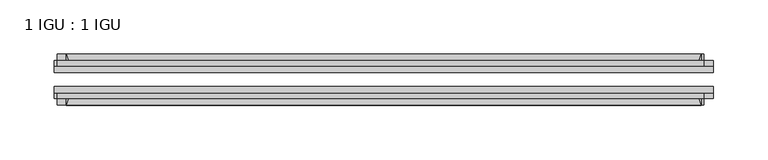
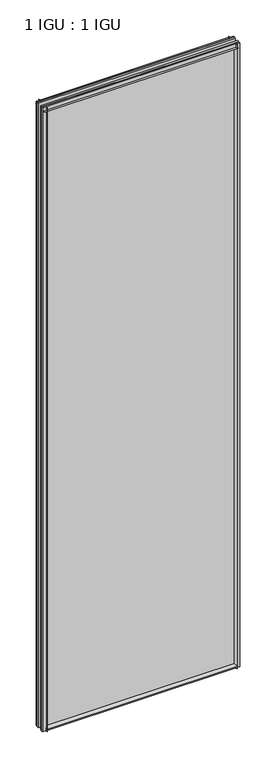
"""IFC4 building model written with IfcOpenShell, lengths in millimetres: plate geometry, 1 IGU : 1 IGU."""

from ifc_helpers import new_model, si_unit, point, frame, frame_2d, origin, place, context, project, spatial, polyline, circle_curve, trimmed, segment, composite_curve, outline, extrude, source, transform, mapped, element, save


def plate_1_igu_1_igu_2b1aa5f3(model_context):
    return source(origin(), model_context, "Body", "SweptSolid", [
        extrude(outline(composite_curve([segment(polyline([(-74.6252, -8.73125), (-74.6252, -0.0097454), (-80.6504332, -0.0097454)]), True, "CONTINUOUS"), segment(trimmed(circle_curve(frame_2d((-86.2258203, 32.2797688)), 32.7673262), [point((-80.6504332, -0.0097454))], [point((-69.85, 3.8979053))], True, "CARTESIAN"), True, "CONTINUOUS"), segment(polyline([(-69.85, 3.8979053), (-69.85, -8.73125), (-74.6252, -8.73125)]), True, "CONTINUOUS")], self_intersect=False)), frame((-292.0920252, 0.0, 0.0), z_axis=(1.0, 0.0, 0.0), x_axis=(0.0, 1.0, 0.0)), (0.0, 0.0, 1.0), 584.1840504),
        extrude(outline(composite_curve([segment(polyline([(-39.6748, -8.73125), (-44.45, -8.73125), (-44.45, 3.8979053)]), True, "CONTINUOUS"), segment(trimmed(circle_curve(frame_2d((-28.0741797, 32.2797688)), 32.7673262), [point((-44.45, 3.8979053))], [point((-33.6495668, -0.0097454))], True, "CARTESIAN"), True, "CONTINUOUS"), segment(polyline([(-33.6495668, -0.0097454), (-39.6748, -0.0097454), (-39.6748, -8.73125)]), True, "CONTINUOUS")], self_intersect=False)), frame((-292.0920252, 0.0, 0.0), z_axis=(1.0, 0.0, 0.0), x_axis=(0.0, 1.0, 0.0)), (0.0, 0.0, 1.0), 584.1840504),
        extrude(outline(composite_curve([segment(polyline([(-80.5942, 2008.98125), (-74.6252, 2008.98125), (-74.6252, 2020.09375), (-69.85, 2020.09375), (-69.85, 2005.0833595)]), True, "CONTINUOUS"), segment(trimmed(circle_curve(frame_2d((-86.2258203, 1976.701496)), 32.7673262), [point((-69.85, 2005.0833595))], [point((-80.5942, 2008.98125))], True, "CARTESIAN"), True, "CONTINUOUS")], self_intersect=False)), frame((-300.6047638, 0.0, 0.0), z_axis=(1.0, 0.0, 0.0), x_axis=(0.0, 1.0, 0.0)), (0.0, 0.0, 1.0), 595.2427505),
        extrude(outline(composite_curve([segment(polyline([(-39.6748, 2020.09375), (-39.6748, 2008.98125), (-33.7058, 2008.98125)]), True, "CONTINUOUS"), segment(trimmed(circle_curve(frame_2d((-28.0741797, 1976.701496)), 32.7673262), [point((-33.7058, 2008.98125))], [point((-44.45, 2005.0833595))], True, "CARTESIAN"), True, "CONTINUOUS"), segment(polyline([(-44.45, 2005.0833595), (-44.45, 2020.09375), (-39.6748, 2020.09375)]), True, "CONTINUOUS")], self_intersect=False)), frame((-300.6047638, 0.0, 0.0), z_axis=(1.0, 0.0, 0.0), x_axis=(0.0, 1.0, 0.0)), (0.0, 0.0, 1.0), 595.2427505),
        extrude(outline(composite_curve([segment(polyline([(303.2045252, -39.6748), (303.2045252, -44.45), (288.1941347, -44.45)]), True, "CONTINUOUS"), segment(trimmed(circle_curve(frame_2d((259.8122712, -28.0741797)), 32.7673262), [point((288.1941347, -44.45))], [point((292.0920252, -33.7058))], True, "CARTESIAN"), True, "CONTINUOUS"), segment(polyline([(292.0920252, -33.7058), (292.0920252, -39.6748), (303.2045252, -39.6748)]), True, "CONTINUOUS")], self_intersect=False)), frame((0.0, 0.0, -8.73125), z_axis=(0.0, 0.0, 1.0), x_axis=(1.0, 0.0, 0.0)), (0.0, 0.0, 1.0), 2028.825),
        extrude(outline(composite_curve([segment(polyline([(303.2045252, -69.85), (303.2045252, -74.6252), (292.0920252, -74.6252), (292.0920252, -80.5942)]), True, "CONTINUOUS"), segment(trimmed(circle_curve(frame_2d((259.8122712, -86.2258203)), 32.7673262), [point((292.0920252, -80.5942))], [point((288.1941347, -69.85))], True, "CARTESIAN"), True, "CONTINUOUS"), segment(polyline([(288.1941347, -69.85), (303.2045252, -69.85)]), True, "CONTINUOUS")], self_intersect=False)), frame((0.0, 0.0, -8.73125), z_axis=(0.0, 0.0, 1.0), x_axis=(1.0, 0.0, 0.0)), (0.0, 0.0, 1.0), 2028.825),
        extrude(outline(composite_curve([segment(polyline([(-303.2045252, -39.6748), (-292.0920252, -39.6748), (-292.0920252, -33.7058)]), True, "CONTINUOUS"), segment(trimmed(circle_curve(frame_2d((-259.8122712, -28.0741797)), 32.7673262), [point((-292.0920252, -33.7058))], [point((-288.1941347, -44.45))], True, "CARTESIAN"), True, "CONTINUOUS"), segment(polyline([(-288.1941347, -44.45), (-303.2045252, -44.45), (-303.2045252, -39.6748)]), True, "CONTINUOUS")], self_intersect=False)), frame((0.0, 0.0, -8.73125), z_axis=(0.0, 0.0, 1.0), x_axis=(1.0, 0.0, 0.0)), (0.0, 0.0, 1.0), 2028.825),
        extrude(outline(composite_curve([segment(polyline([(-303.2045252, -74.6252), (-303.2045252, -69.85), (-288.1941347, -69.85)]), True, "CONTINUOUS"), segment(trimmed(circle_curve(frame_2d((-259.8122712, -86.2258203)), 32.7673262), [point((-288.1941347, -69.85))], [point((-292.0920252, -80.5942))], True, "CARTESIAN"), True, "CONTINUOUS"), segment(polyline([(-292.0920252, -80.5942), (-292.0920252, -74.6252), (-303.2045252, -74.6252)]), True, "CONTINUOUS")], self_intersect=False)), frame((0.0, 0.0, -8.73125), z_axis=(0.0, 0.0, 1.0), x_axis=(1.0, 0.0, 0.0)), (0.0, 0.0, 1.0), 2028.825),
        extrude(outline(polyline([(-303.2045252, -69.85), (-303.2045252, -63.5508), (303.2045252, -63.5508), (303.2045252, -69.85), (-303.2045252, -69.85)])), frame((0.0, 0.0, -8.73125), z_axis=(0.0, 0.0, 1.0), x_axis=(1.0, 0.0, 0.0)), (0.0, 0.0, 1.0), 2028.825),
        extrude(outline(polyline([(303.2045252, -50.7492), (-303.2045252, -50.7492), (-303.2045252, -44.45), (303.2045252, -44.45), (303.2045252, -50.7492)])), frame((0.0, 0.0, -8.73125), z_axis=(0.0, 0.0, 1.0), x_axis=(1.0, 0.0, 0.0)), (0.0, 0.0, 1.0), 2028.825),
    ])


if __name__ == "__main__":
    model = new_model("IFC4")
    model_context = context("Model", 3, world=origin())
    ifc_project = project(units=[si_unit("LENGTHUNIT", "METRE", prefix="MILLI")], contexts=[model_context])
    site = spatial("IfcSite", under=ifc_project)
    building = spatial("IfcBuilding", under=site)
    placement = place(None, origin())
    plate_1_igu_1_igu_shape = plate_1_igu_1_igu_2b1aa5f3(model_context)
    element("IfcPlate", 1, ObjectType="1 IGU : 1 IGU", at=placement, inside=building, context=model_context, shape_type="MappedRepresentation", body=[
        mapped(plate_1_igu_1_igu_shape, transform((0.0, 0.0, 0.0), x_axis=(1.0, 0.0, 0.0), y_axis=(0.0, 1.0, 0.0), z_axis=(0.0, 0.0, 1.0))),
    ])
    save(model, "model.ifc")
